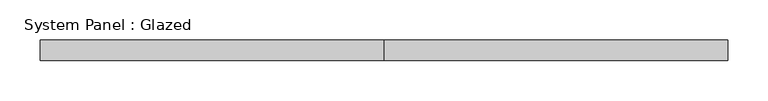
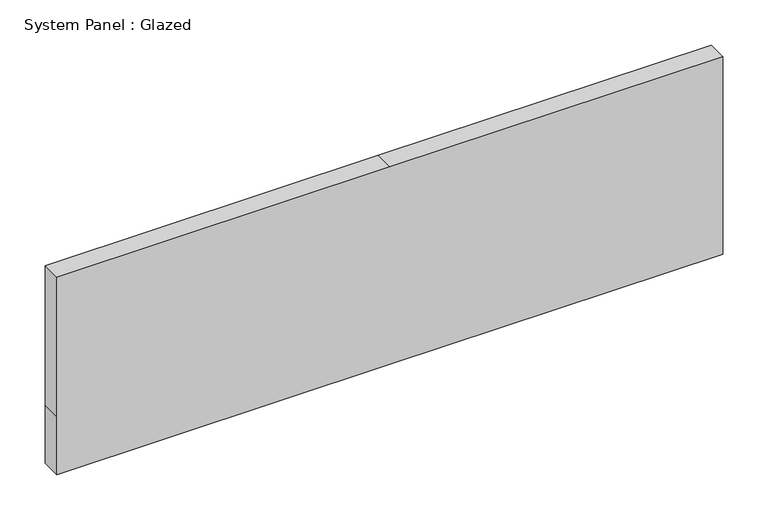
"""IFC4 building model written with IfcOpenShell, lengths in millimetres: plate geometry, System Panel : Glazed."""

from ifc_helpers import new_model, si_unit, frame, origin, place, context, project, spatial, polyline, outline, extrude, source, transform, mapped, element, save


def system_panel_glazed_03b3ea7f(model_context):
    return source(origin(), model_context, "Body", "SweptSolid", [
        extrude(outline(polyline([(0.0, -425.45), (0.0, 0.0), (0.0, 425.45), (78.3166667, 425.45), (266.7, 425.45), (266.7, 0.0), (266.7, -425.45), (78.3166667, -425.45), (0.0, -425.45)])), frame((0.0, 19.05, 0.0), z_axis=(0.0, 1.0, 0.0), x_axis=(0.0, 0.0, 1.0)), (0.0, 0.0, 1.0), 25.4),
    ])


if __name__ == "__main__":
    model = new_model("IFC4")
    model_context = context("Model", 3, world=origin())
    ifc_project = project(units=[si_unit("LENGTHUNIT", "METRE", prefix="MILLI")], contexts=[model_context])
    site = spatial("IfcSite", under=ifc_project)
    building = spatial("IfcBuilding", under=site)
    placement = place(None, origin())
    system_panel_glazed_shape = system_panel_glazed_03b3ea7f(model_context)
    element("IfcPlate", 1, ObjectType="System Panel : Glazed", at=placement, inside=building, context=model_context, shape_type="MappedRepresentation", body=[
        mapped(system_panel_glazed_shape, transform((0.0, 0.0, 0.0), x_axis=(1.0, 0.0, 0.0), y_axis=(0.0, 1.0, 0.0), z_axis=(0.0, 0.0, 1.0))),
    ])
    save(model, "model.ifc")
